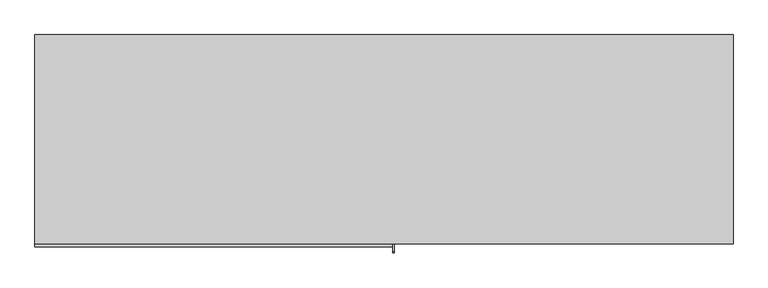
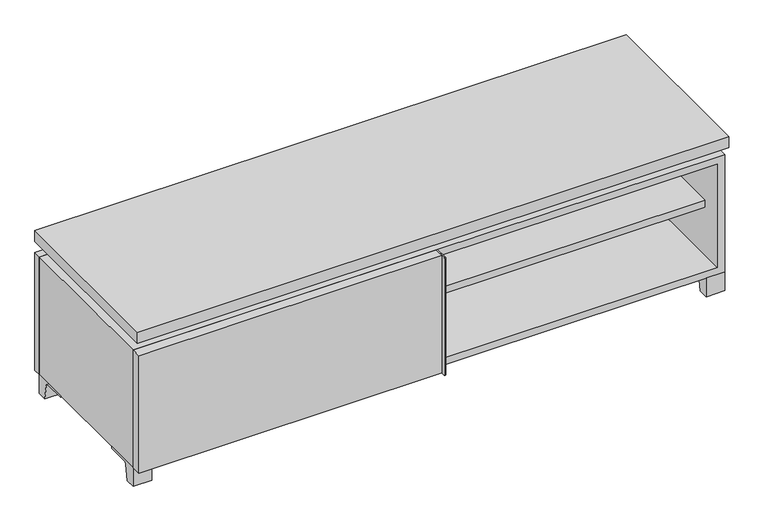
"""IFC4 building model written with IfcOpenShell, lengths in millimetres: furniture geometry."""

from ifc_helpers import new_model, si_unit, point, frame, frame_2d, origin, place, context, project, spatial, polyline, circle_curve, trimmed, segment, composite_curve, outline, extrude, faceted_brep, source, transform, mapped, element, save


def furniture_c9e2234e(model_context):
    return source(origin(), model_context, "Body", "SolidModel", [
        extrude(outline(polyline([(9.5319453, 241.3), (742.9569453, 241.3), (742.9569453, -92.075), (9.5319453, -92.075), (9.5319453, 241.3)])), frame((0.0, 0.0, 201.6125), z_axis=(0.0, 0.0, 1.0), x_axis=(1.0, 0.0, 0.0)), (0.0, 0.0, 1.0), 19.05),
        extrude(outline(polyline([(-9.5041641, 241.3), (-9.5041641, -92.075), (-742.9291641, -92.075), (-742.9291641, 241.3), (-9.5041641, 241.3)])), frame((0.0, 0.0, 201.6125), z_axis=(0.0, 0.0, 1.0), x_axis=(1.0, 0.0, 0.0)), (0.0, 0.0, 1.0), 19.05),
        extrude(outline(composite_curve([segment(polyline([(47.6249864, 0.0), (22.225, 0.0), (22.225, 50.8), (117.475, 50.8), (117.475, 46.0213321), (60.6744655, 46.0213321)]), True, "CONTINUOUS"), segment(trimmed(circle_curve(frame_2d((60.6744655, 39.6713321)), 6.35), [point((60.6744655, 46.0213321))], [point((54.4108641, 40.7152656))], True, "CARTESIAN"), True, "CONTINUOUS"), segment(polyline([(54.4108641, 40.7152656), (47.6249864, 0.0)]), True, "CONTINUOUS")], self_intersect=False)), frame((-23.7986094, 0.0, 0.0), z_axis=(1.0, 0.0, 0.0), x_axis=(0.0, 1.0, 0.0)), (0.0, 0.0, 1.0), 47.625),
        extrude(outline(polyline([(762.0138906, 292.1), (762.0138906, -165.1), (-761.9861094, -165.1), (-761.9861094, 292.1), (762.0138906, 292.1)])), frame((0.0, 0.0, 401.6375), z_axis=(0.0, 0.0, 1.0), x_axis=(1.0, 0.0, 0.0)), (0.0, 0.0, 1.0), 30.1625),
        extrude(outline(composite_curve([segment(polyline([(-146.05, 371.475), (-146.05, 50.8), (-180.975, 50.8)]), True, "CONTINUOUS"), segment(trimmed(circle_curve(frame_2d((-180.975, 53.975)), 3.175), [point((-180.975, 50.8))], [point((-184.15, 53.975))], False, "CARTESIAN"), True, "CONTINUOUS"), segment(polyline([(-184.15, 53.975), (-184.15, 368.3)]), True, "CONTINUOUS"), segment(trimmed(circle_curve(frame_2d((-180.975, 368.3)), 3.175), [point((-184.15, 368.3))], [point((-180.975, 371.475))], False, "CARTESIAN"), True, "CONTINUOUS"), segment(polyline([(-180.975, 371.475), (-146.05, 371.475)]), True, "CONTINUOUS")], self_intersect=False)), frame((19.0638906, 0.0, 0.0), z_axis=(1.0, 0.0, 0.0), x_axis=(0.0, 1.0, 0.0)), (0.0, 0.0, 1.0), 3.175),
        extrude(outline(polyline([(-761.9861094, -146.05), (19.0638906, -146.05), (19.0638906, -171.45), (-761.9861094, -171.45), (-761.9861094, -146.05)])), frame((0.0, 0.0, 50.8), z_axis=(0.0, 0.0, 1.0), x_axis=(1.0, 0.0, 0.0)), (0.0, 0.0, 1.0), 320.675),
        extrude(outline(composite_curve([segment(polyline([(-120.6500136, 0.0), (-146.05, 0.0), (-146.05, 50.8), (-50.8, 50.8), (-50.8, 46.0213321), (-107.6005345, 46.0213321)]), True, "CONTINUOUS"), segment(trimmed(circle_curve(frame_2d((-107.6005345, 39.6713321)), 6.35), [point((-107.6005345, 46.0213321))], [point((-113.8641359, 40.7152656))], True, "CARTESIAN"), True, "CONTINUOUS"), segment(polyline([(-113.8641359, 40.7152656), (-120.6500136, 0.0)]), True, "CONTINUOUS")], self_intersect=False)), frame((714.3888906, 0.0, 0.0), z_axis=(1.0, 0.0, 0.0), x_axis=(0.0, 1.0, 0.0)), (0.0, 0.0, 1.0), 47.625),
        extrude(outline(composite_curve([segment(polyline([(247.6500136, 0.0), (240.8641359, 40.7152656)]), True, "CONTINUOUS"), segment(trimmed(circle_curve(frame_2d((234.6005345, 39.6713321)), 6.35), [point((240.8641359, 40.7152656))], [point((234.6005345, 46.0213321))], True, "CARTESIAN"), True, "CONTINUOUS"), segment(polyline([(234.6005345, 46.0213321), (177.8, 46.0213321), (177.8, 50.8), (273.05, 50.8), (273.05, 0.0), (247.6500136, 0.0)]), True, "CONTINUOUS")], self_intersect=False)), frame((714.3888906, 0.0, 0.0), z_axis=(1.0, 0.0, 0.0), x_axis=(0.0, 1.0, 0.0)), (0.0, 0.0, 1.0), 47.625),
        extrude(outline(composite_curve([segment(polyline([(-120.6500136, 0.0), (-146.05, 0.0), (-146.05, 50.8), (-50.8, 50.8), (-50.8, 46.0213321), (-107.6005345, 46.0213321)]), True, "CONTINUOUS"), segment(trimmed(circle_curve(frame_2d((-107.6005345, 39.6713321)), 6.35), [point((-107.6005345, 46.0213321))], [point((-113.8641359, 40.7152656))], True, "CARTESIAN"), True, "CONTINUOUS"), segment(polyline([(-113.8641359, 40.7152656), (-120.6500136, 0.0)]), True, "CONTINUOUS")], self_intersect=False)), frame((-761.9861094, 0.0, 0.0), z_axis=(1.0, 0.0, 0.0), x_axis=(0.0, 1.0, 0.0)), (0.0, 0.0, 1.0), 47.625),
        extrude(outline(composite_curve([segment(polyline([(247.6500136, 0.0), (240.8641359, 40.7152656)]), True, "CONTINUOUS"), segment(trimmed(circle_curve(frame_2d((234.6005345, 39.6713321)), 6.35), [point((240.8641359, 40.7152656))], [point((234.6005345, 46.0213321))], True, "CARTESIAN"), True, "CONTINUOUS"), segment(polyline([(234.6005345, 46.0213321), (177.8, 46.0213321), (177.8, 50.8), (273.05, 50.8), (273.05, 0.0), (247.6500136, 0.0)]), True, "CONTINUOUS")], self_intersect=False)), frame((-761.9861094, 0.0, 0.0), z_axis=(1.0, 0.0, 0.0), x_axis=(0.0, 1.0, 0.0)), (0.0, 0.0, 1.0), 47.625),
        faceted_brep([(7.9513906, -120.65, 401.6375), (7.9513906, -120.65, 371.475), (7.9513906, 53.975, 371.475), (7.9513906, 53.975, 401.6375), (7.9513906, 247.65, 371.475), (7.9513906, 247.65, 401.6375), (7.9513906, 73.025, 401.6375), (7.9513906, 73.025, 371.475), (-7.9236094, 247.65, 401.6375), (-7.9236094, 247.65, 371.475), (-7.9236094, 73.025, 371.475), (-7.9236094, 73.025, 401.6375), (-7.9236094, -120.65, 371.475), (-7.9236094, -120.65, 401.6375), (-7.9236094, 53.975, 401.6375), (-7.9236094, 53.975, 371.475), (-720.6833281, 73.025, 401.6375), (-720.7041641, 247.65, 401.6375), (-736.5791641, 247.65, 401.6375), (-736.5791641, -120.65, 401.6375), (-720.7041641, -120.65, 401.6375), (-720.7041641, 53.975, 401.6375), (720.7111094, 53.975, 401.6375), (720.7111094, -120.65, 401.6375), (736.5861094, -120.65, 401.6375), (736.5861094, 247.65, 401.6375), (720.7111094, 247.65, 401.6375), (720.7111094, 73.025, 401.6375), (-720.6833281, 53.975, 371.475), (-720.7041641, -120.65, 371.475), (-736.5791641, -120.65, 371.475), (-736.5791641, 247.65, 371.475), (-720.7041641, 247.65, 371.475), (-720.7041641, 73.025, 371.475), (720.7111094, 73.025, 371.475), (720.7111094, 247.65, 371.475), (736.5861094, 247.65, 371.475), (736.5861094, -120.65, 371.475), (720.7111094, -120.65, 371.475), (720.7111094, 53.975, 371.475)], [[[0, 1, 2, 3]], [[4, 5, 6, 7]], [[8, 9, 10, 11]], [[12, 13, 14, 15]], [[5, 8, 11, 16, 17, 18, 19, 20, 21, 14, 13, 0, 3, 22, 23, 24, 25, 26, 27, 6]], [[1, 12, 15, 28, 29, 30, 31, 32, 33, 10, 9, 4, 7, 34, 35, 36, 37, 38, 39, 2]], [[5, 4, 9, 8]], [[1, 0, 13, 12]], [[6, 27, 34, 7]], [[22, 3, 2, 39]], [[20, 29, 28, 21]], [[32, 17, 16, 33]], [[18, 31, 30, 19]], [[29, 20, 19, 30]], [[17, 32, 31, 18]], [[26, 35, 34, 27]], [[38, 23, 22, 39]], [[25, 24, 37, 36]], [[23, 38, 37, 24]], [[35, 26, 25, 36]], [[16, 11, 10, 33]], [[14, 21, 28, 15]]]),
        extrude(outline(polyline([(9.5388906, 241.3), (9.5388906, -95.25), (-9.5111094, -95.25), (-9.5111094, 241.3), (9.5388906, 241.3)])), frame((0.0, 0.0, 69.85), z_axis=(0.0, 0.0, 1.0), x_axis=(1.0, 0.0, 0.0)), (0.0, 0.0, 1.0), 282.575),
        extrude(outline(polyline([(15.8888906, -88.9), (15.8888906, -146.05), (-9.5111094, -146.05), (-9.5111094, -120.65), (3.1888906, -120.65), (3.1888906, -88.9), (15.8888906, -88.9)])), frame((0.0, 0.0, 69.85), z_axis=(0.0, 0.0, 1.0), x_axis=(1.0, 0.0, 0.0)), (0.0, 0.0, 1.0), 282.575),
        extrude(outline(polyline([(762.0138906, 273.05), (-761.9861094, 273.05), (-761.9861094, 292.1), (762.0138906, 292.1), (762.0138906, 273.05)])), frame((0.0, 0.0, 50.8), z_axis=(0.0, 0.0, 1.0), x_axis=(1.0, 0.0, 0.0)), (0.0, 0.0, 1.0), 320.675),
        extrude(outline(polyline([(50.8, -761.9861094), (50.8, 762.0), (371.475, 762.0), (371.475, -761.9861094), (50.8, -761.9861094)]), holes=[polyline([(69.85, -742.9361094), (352.425, -742.9361094), (352.425, 742.9361094), (69.85, 742.9361094), (69.85, -742.9361094)])]), frame((0.0, -146.05, 0.0), z_axis=(0.0, 1.0, 0.0), x_axis=(0.0, 0.0, 1.0)), (0.0, 0.0, 1.0), 419.1),
        extrude(outline(polyline([(-742.9291641, 241.3), (-742.9291641, 247.65), (742.9569453, 247.65), (742.9569453, 241.3), (-742.9291641, 241.3)])), frame((0.0, 0.0, 69.85), z_axis=(0.0, 0.0, 1.0), x_axis=(1.0, 0.0, 0.0)), (0.0, 0.0, 1.0), 282.575),
    ])


if __name__ == "__main__":
    model = new_model("IFC4")
    model_context = context("Model", 3, world=origin())
    ifc_project = project(units=[si_unit("LENGTHUNIT", "METRE", prefix="MILLI")], contexts=[model_context])
    site = spatial("IfcSite", under=ifc_project)
    building = spatial("IfcBuilding", under=site)
    placement = place(None, origin())
    furniture_shape = furniture_c9e2234e(model_context)
    element("IfcFurniture", 1, at=placement, inside=building, context=model_context, shape_type="MappedRepresentation", body=[
        mapped(furniture_shape, transform((0.0, 0.0, 0.0), x_axis=(1.0, 0.0, 0.0), y_axis=(0.0, 1.0, 0.0), z_axis=(0.0, 0.0, 1.0))),
    ])
    save(model, "model.ifc")
